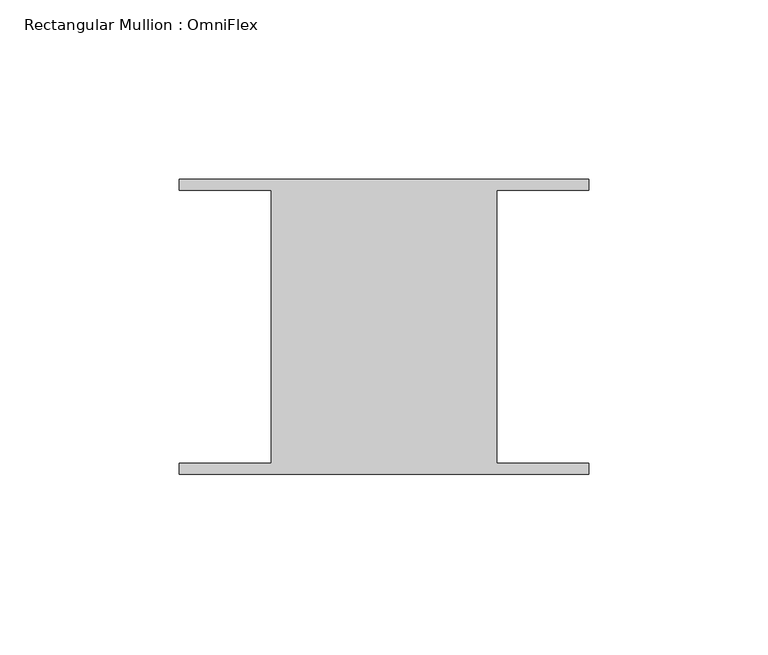
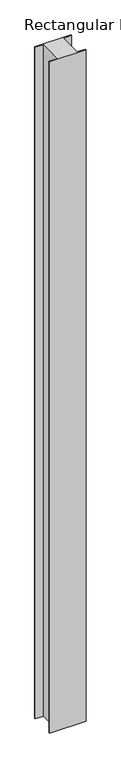
"""IFC4 building model written with IfcOpenShell, lengths in millimetres: member geometry, Rectangular Mullion : OmniFlex."""

import ifcopenshell
import ifcopenshell.guid

model = None  # the IFC model being written
_history = None  # IfcOwnerHistory: only IFC2X3 demands one
_inside = {}  # id of a spatial element -> (the spatial element, [elements in it])
_under = {}  # id of a project, library or spatial element -> (it, [spatial elements below it])
_declared = {}  # id of a project -> (the project, [libraries it declares])
_typed = {}  # id of a type object -> (the type object, [elements of that type])
_made_of = {}  # id of a material, layer set ... -> (it, [elements and type objects made of it])


def new_model(schema):
    """Start an empty IFC model of exactly this schema.

    Asked for "IFC4X3", IfcOpenShell would pick the latest addendum, in which some entities
    have other attributes; the version numbers below select the first issue.
    IFC2X3 requires an IfcOwnerHistory on every rooted entity: one is made here for all.
    """
    global model, _history
    if schema == "IFC4X3":
        model = ifcopenshell.file(schema_version=(4, 3, 0, 0))
    else:
        model = ifcopenshell.file(schema=schema)
    _inside.clear()
    _under.clear()
    _declared.clear()
    _typed.clear()
    _made_of.clear()
    _history = None
    if model.schema == "IFC2X3":
        org = make("IfcOrganization", Name="unknown")
        user = make(
            "IfcPersonAndOrganization",
            ThePerson=make("IfcPerson", FamilyName="unknown"),
            TheOrganization=org,
        )
        app = make(
            "IfcApplication",
            ApplicationDeveloper=org,
            Version="unknown",
            ApplicationFullName="unknown",
            ApplicationIdentifier="unknown",
        )
        _history = make(
            "IfcOwnerHistory",
            OwningUser=user,
            OwningApplication=app,
            ChangeAction="ADDED",
            CreationDate=0,
        )
    return model


def make(cls, **values):
    """One entity of the class cls with the attributes given. An attribute that is None is left unset."""
    return model.create_entity(
        cls, **{name: value for name, value in values.items() if value is not None}
    )


def rooted(cls, **values):
    """An entity with a GlobalId (a new one), such as an element, a storey or a relation."""
    return make(cls, GlobalId=ifcopenshell.guid.new(), OwnerHistory=_history, **values)


def si_unit(unit_type, name, prefix=None):
    """IfcSIUnit, for example si_unit("LENGTHUNIT", "METRE", prefix="MILLI")."""
    return make("IfcSIUnit", UnitType=unit_type, Prefix=prefix, Name=name)


def assignment(units):
    """IfcUnitAssignment: the units of a project."""
    return None if units is None else make("IfcUnitAssignment", Units=units)


def point(xyz):
    """IfcCartesianPoint."""
    return None if xyz is None else make("IfcCartesianPoint", Coordinates=xyz)


def direction(xyz):
    """IfcDirection."""
    return None if xyz is None else make("IfcDirection", DirectionRatios=xyz)


def frame(location, z_axis=None, x_axis=None):
    """IfcAxis2Placement3D, a coordinate frame: its origin and axes. An axis left out is left unset."""
    return make(
        "IfcAxis2Placement3D",
        Location=point(location),
        Axis=direction(z_axis),
        RefDirection=direction(x_axis),
    )


def origin():
    """The frame at (0, 0, 0) with its axes left unset."""
    return frame((0.0, 0.0, 0.0))


def place(relative_to, where):
    """IfcLocalPlacement: puts the frame where relative to a parent placement (None: the world)."""
    return make(
        "IfcLocalPlacement", PlacementRelTo=relative_to, RelativePlacement=where
    )


def context(
    kind, dimensions, precision=None, world=None, true_north=None, identifier=None
):
    """IfcGeometricRepresentationContext, for example the 3D "Model" context."""
    return make(
        "IfcGeometricRepresentationContext",
        ContextIdentifier=identifier,
        ContextType=kind,
        CoordinateSpaceDimension=dimensions,
        Precision=precision,
        WorldCoordinateSystem=world,
        TrueNorth=true_north,
    )


def project(units=None, contexts=None):
    """IfcProject with its units and contexts."""
    return rooted(
        "IfcProject",
        Name="project",
        RepresentationContexts=contexts,
        UnitsInContext=assignment(units),
    )


def spatial(cls, under=None, at=None, **own):
    """A site, building, storey or space (cls), placed at a placement, below another one or the project."""
    s = rooted(cls, ObjectPlacement=at, **own)
    if under is not None:
        _under.setdefault(under.id(), (under, []))[1].append(s)
    return s


def polyline(points):
    """IfcPolyline through the points."""
    return make("IfcPolyline", Points=[point(p) for p in points])


def outline(outer, holes=None, kind="AREA"):
    """IfcArbitraryClosedProfileDef: a profile drawn as a closed curve; with holes, ...WithVoids."""
    if holes is None:
        return make("IfcArbitraryClosedProfileDef", ProfileType=kind, OuterCurve=outer)
    return make(
        "IfcArbitraryProfileDefWithVoids",
        ProfileType=kind,
        OuterCurve=outer,
        InnerCurves=holes,
    )


def extrude(swept, where, along, depth):
    """IfcExtrudedAreaSolid: the profile swept, set in the frame where, extruded along a direction by depth."""
    return make(
        "IfcExtrudedAreaSolid",
        SweptArea=swept,
        Position=where,
        ExtrudedDirection=direction(along),
        Depth=depth,
    )


def shape(context_of_items, identifier, shape_type, items):
    """IfcShapeRepresentation: the items that make up one representation, for example the "Body"."""
    return make(
        "IfcShapeRepresentation",
        ContextOfItems=context_of_items,
        RepresentationIdentifier=identifier,
        RepresentationType=shape_type,
        Items=items,
    )


def source(mapping_origin, context_of_items, identifier, shape_type, items):
    """IfcRepresentationMap: a shape defined once, which mapped items show again and again."""
    return make(
        "IfcRepresentationMap",
        MappingOrigin=mapping_origin,
        MappedRepresentation=shape(context_of_items, identifier, shape_type, items),
    )


def transform(
    local_origin,
    x_axis=None,
    y_axis=None,
    z_axis=None,
    scale=None,
    scale2=None,
    scale3=None,
    uniform=True,
):
    """IfcCartesianTransformationOperator3D, or its non-uniform kind. x_axis, y_axis, z_axis: its Axis1, 2, 3."""
    if uniform:
        return make(
            "IfcCartesianTransformationOperator3D",
            Axis1=direction(x_axis),
            Axis2=direction(y_axis),
            LocalOrigin=point(local_origin),
            Scale=scale,
            Axis3=direction(z_axis),
        )
    return make(
        "IfcCartesianTransformationOperator3DnonUniform",
        Axis1=direction(x_axis),
        Axis2=direction(y_axis),
        LocalOrigin=point(local_origin),
        Scale=scale,
        Axis3=direction(z_axis),
        Scale2=scale2,
        Scale3=scale3,
    )


def mapped(mapping_source, mapping_target):
    """IfcMappedItem: shows the shape of a source again, moved by a transform."""
    return make(
        "IfcMappedItem", MappingSource=mapping_source, MappingTarget=mapping_target
    )


def made_of(thing, what):
    """Note that an element or type object is made of a material, layer set ...; save() writes the relation."""
    if what is not None:
        _made_of.setdefault(what.id(), (what, []))[1].append(thing)
    return thing


def element(
    cls,
    number,
    at=None,
    inside=None,
    cuts=None,
    type_object=None,
    material=None,
    context=None,
    identifier="Body",
    shape_type=None,
    held_by="IfcProductDefinitionShape",
    body=None,
    shapes=None,
    **own,
):
    """One element of the class cls, such as IfcWall. Its Tag is "e" and its number.

    at: its placement. inside: the storey or other place that contains it. cuts: it is an
    opening in that element (IfcRelVoidsElement). A single representation is given by context,
    identifier, shape_type and body (its items); several are given by shapes. held_by: the class
    of the entity that holds the representations. save() writes the other relations.
    """
    e = rooted(cls, Tag="e%d" % number, ObjectPlacement=at, **own)
    if body is not None:
        shapes = [shape(context, identifier, shape_type, body)]
    if shapes is not None:
        e.Representation = make(held_by, Representations=shapes)
    if inside is not None:
        _inside.setdefault(inside.id(), (inside, []))[1].append(e)
    if cuts is not None:
        rooted(
            "IfcRelVoidsElement", RelatingBuildingElement=cuts, RelatedOpeningElement=e
        )
    if type_object is not None:
        _typed.setdefault(type_object.id(), (type_object, []))[1].append(e)
    return made_of(e, material)


def aggregate(whole, parts):
    """IfcRelAggregates: a whole, such as a stair, and the parts it consists of."""
    return rooted("IfcRelAggregates", RelatingObject=whole, RelatedObjects=parts)


def save(model, path):
    """Write the relations noted so far, then the file.

    IfcRelAggregates (storeys below a building ...), IfcRelContainedInSpatialStructure (elements
    in a storey), IfcRelDefinesByType, IfcRelAssociatesMaterial and IfcRelDeclares: one each for
    every whole, place, type object, material and project.
    """
    for whole, parts in _under.values():
        aggregate(whole, parts)
    for where, things in _inside.values():
        rooted(
            "IfcRelContainedInSpatialStructure",
            RelatedElements=things,
            RelatingStructure=where,
        )
    for kind, things in _typed.values():
        rooted("IfcRelDefinesByType", RelatedObjects=things, RelatingType=kind)
    for what, things in _made_of.values():
        rooted("IfcRelAssociatesMaterial", RelatedObjects=things, RelatingMaterial=what)
    for by, libraries in _declared.values():
        rooted("IfcRelDeclares", RelatingContext=by, RelatedDefinitions=libraries)
    model.write(path)


def rectangular_mullion_omniflex_09f231e1(model_context):
    return source(origin(), model_context, "Body", "SweptSolid", [
        extrude(outline(polyline([(-57.15, 38.0620588), (-57.15, 41.13784), (57.15, 41.13784), (57.15, 38.0620587), (31.4523437, 38.0620588), (31.4523437, -38.0620587), (57.15, -38.0620588), (57.15, -41.13784), (-57.15, -41.13784), (-57.15, -38.0620587), (-31.4523438, -38.0620587), (-31.4523438, 38.0620588), (-57.15, 38.0620588)])), frame((0.0, 0.0, -2241.55), z_axis=(0.0, 0.0, 1.0), x_axis=(1.0, 0.0, 0.0)), (0.0, 0.0, 1.0), 2241.55),
    ])


if __name__ == "__main__":
    model = new_model("IFC4")
    model_context = context("Model", 3, world=origin())
    ifc_project = project(units=[si_unit("LENGTHUNIT", "METRE", prefix="MILLI")], contexts=[model_context])
    site = spatial("IfcSite", under=ifc_project)
    building = spatial("IfcBuilding", under=site)
    placement = place(None, origin())
    rectangular_mullion_omniflex_shape = rectangular_mullion_omniflex_09f231e1(model_context)
    element("IfcMember", 1, ObjectType="Rectangular Mullion : OmniFlex", at=placement, inside=building, context=model_context, shape_type="MappedRepresentation", body=[
        mapped(rectangular_mullion_omniflex_shape, transform((0.0, 0.0, 0.0), x_axis=(1.0, 0.0, 0.0), y_axis=(0.0, 1.0, 0.0), z_axis=(0.0, 0.0, 1.0))),
    ])
    save(model, "model.ifc")
